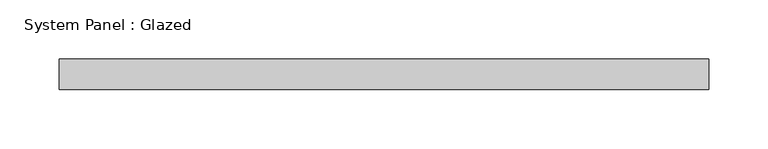
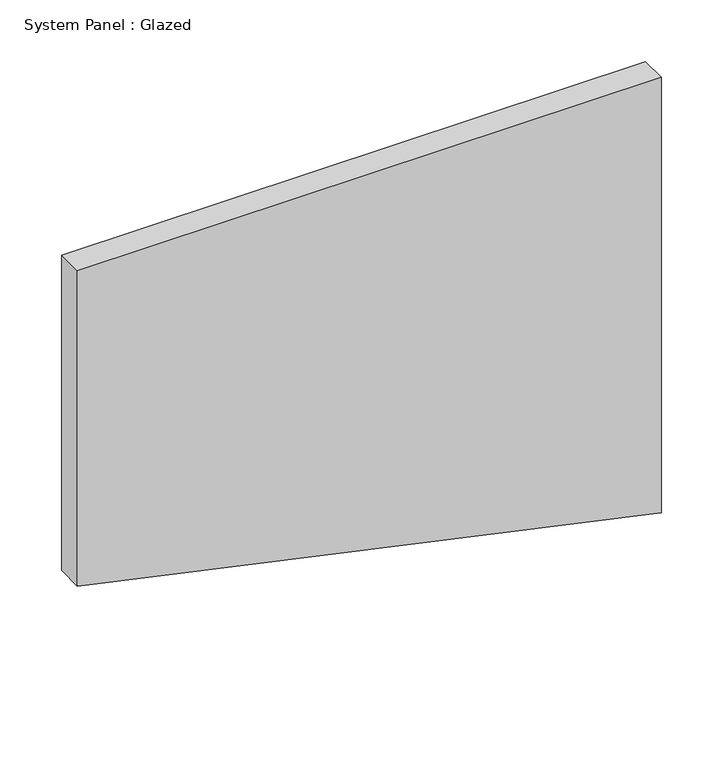
"""IFC4 building model written with IfcOpenShell, lengths in millimetres: plate geometry, System Panel : Glazed."""

from ifc_helpers import new_model, si_unit, frame, origin, place, context, project, spatial, polyline, outline, extrude, source, transform, mapped, element, save


def system_panel_glazed_a6206475(model_context):
    return source(origin(), model_context, "Body", "SweptSolid", [
        extrude(outline(polyline([(118.7501214, -273.05), (0.0, 273.05), (430.3281101, 273.05), (430.3281101, -273.05), (118.7501214, -273.05)])), frame((0.0, 19.05, 0.0), z_axis=(0.0, 1.0, 0.0), x_axis=(0.0, 0.0, 1.0)), (0.0, 0.0, 1.0), 25.4),
    ])


if __name__ == "__main__":
    model = new_model("IFC4")
    model_context = context("Model", 3, world=origin())
    ifc_project = project(units=[si_unit("LENGTHUNIT", "METRE", prefix="MILLI")], contexts=[model_context])
    site = spatial("IfcSite", under=ifc_project)
    building = spatial("IfcBuilding", under=site)
    placement = place(None, origin())
    system_panel_glazed_shape = system_panel_glazed_a6206475(model_context)
    element("IfcPlate", 1, ObjectType="System Panel : Glazed", at=placement, inside=building, context=model_context, shape_type="MappedRepresentation", body=[
        mapped(system_panel_glazed_shape, transform((0.0, 0.0, 0.0), x_axis=(1.0, 0.0, 0.0), y_axis=(0.0, 1.0, 0.0), z_axis=(0.0, 0.0, 1.0))),
    ])
    save(model, "model.ifc")
